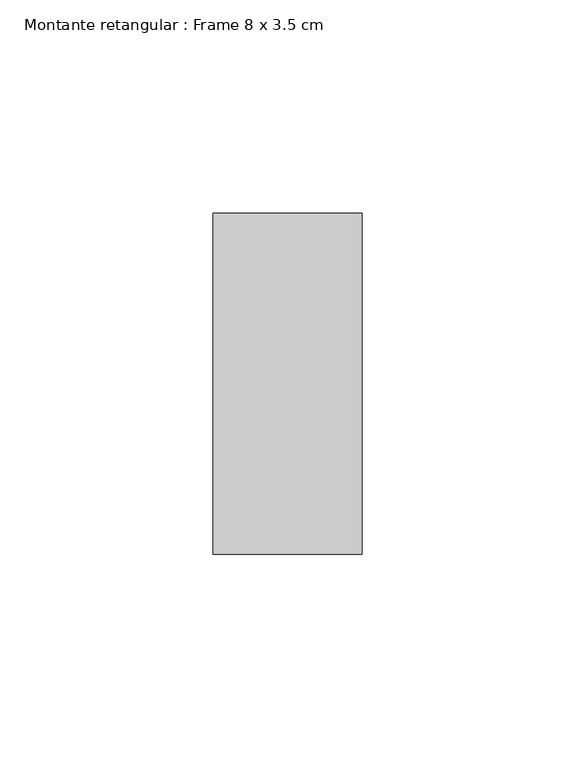
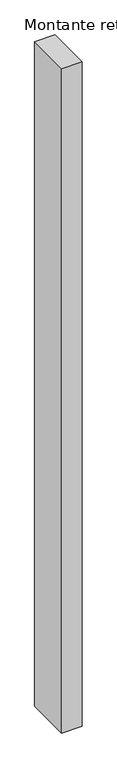
"""IFC4 building model written with IfcOpenShell, lengths in millimetres: member geometry, Montante retangular : Frame 8 x 3.5 cm."""

from ifc_helpers import new_model, si_unit, frame, origin, place, context, project, spatial, polyline, outline, extrude, source, transform, mapped, element, save


def montante_retangular_frame_8_x_3_5_cm_934f0a2c(model_context):
    return source(origin(), model_context, "Body", "SweptSolid", [
        extrude(outline(polyline([(17.5, 40.0), (17.5, -40.0), (-17.5, -40.0), (-17.5, 40.0), (17.5, 40.0)])), frame((0.0, 0.0, -1200.0), z_axis=(0.0, 0.0, 1.0), x_axis=(1.0, 0.0, 0.0)), (0.0, 0.0, 1.0), 1200.0),
    ])


if __name__ == "__main__":
    model = new_model("IFC4")
    model_context = context("Model", 3, world=origin())
    ifc_project = project(units=[si_unit("LENGTHUNIT", "METRE", prefix="MILLI")], contexts=[model_context])
    site = spatial("IfcSite", under=ifc_project)
    building = spatial("IfcBuilding", under=site)
    placement = place(None, origin())
    montante_retangular_frame_8_x_3_5_cm_shape = montante_retangular_frame_8_x_3_5_cm_934f0a2c(model_context)
    element("IfcMember", 1, ObjectType="Montante retangular : Frame 8 x 3.5 cm", at=placement, inside=building, context=model_context, shape_type="MappedRepresentation", body=[
        mapped(montante_retangular_frame_8_x_3_5_cm_shape, transform((0.0, 0.0, 0.0), x_axis=(1.0, 0.0, 0.0), y_axis=(0.0, 1.0, 0.0), z_axis=(0.0, 0.0, 1.0))),
    ])
    save(model, "model.ifc")
